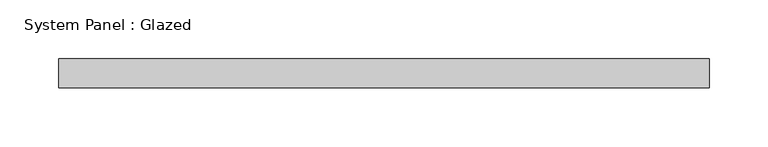
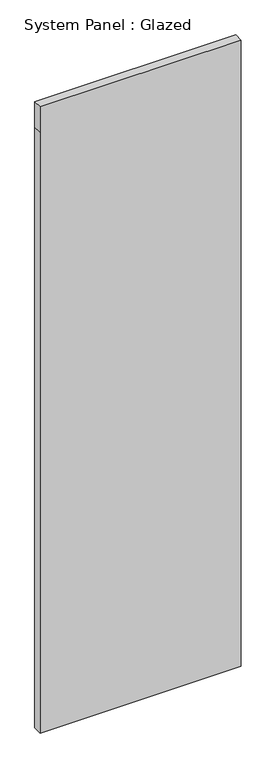
"""IFC4 building model written with IfcOpenShell, lengths in millimetres: plate geometry, System Panel : Glazed."""

from ifc_helpers import new_model, si_unit, frame, origin, place, context, project, spatial, polyline, outline, extrude, source, transform, mapped, element, save


def system_panel_glazed_7204478e(model_context):
    return source(origin(), model_context, "Body", "SweptSolid", [
        extrude(outline(polyline([(0.0, -278.0), (0.0, 278.0), (1753.3333333, 278.0), (1828.3333333, 278.0), (1828.3333333, -278.0), (1753.3333333, -278.0), (0.0, -278.0)])), frame((0.0, 24.5, 0.0), z_axis=(0.0, 1.0, 0.0), x_axis=(0.0, 0.0, 1.0)), (0.0, 0.0, 1.0), 25.0),
    ])


if __name__ == "__main__":
    model = new_model("IFC4")
    model_context = context("Model", 3, world=origin())
    ifc_project = project(units=[si_unit("LENGTHUNIT", "METRE", prefix="MILLI")], contexts=[model_context])
    site = spatial("IfcSite", under=ifc_project)
    building = spatial("IfcBuilding", under=site)
    placement = place(None, origin())
    system_panel_glazed_shape = system_panel_glazed_7204478e(model_context)
    element("IfcPlate", 1, ObjectType="System Panel : Glazed", at=placement, inside=building, context=model_context, shape_type="MappedRepresentation", body=[
        mapped(system_panel_glazed_shape, transform((0.0, 0.0, 0.0), x_axis=(1.0, 0.0, 0.0), y_axis=(0.0, 1.0, 0.0), z_axis=(0.0, 0.0, 1.0))),
    ])
    save(model, "model.ifc")
